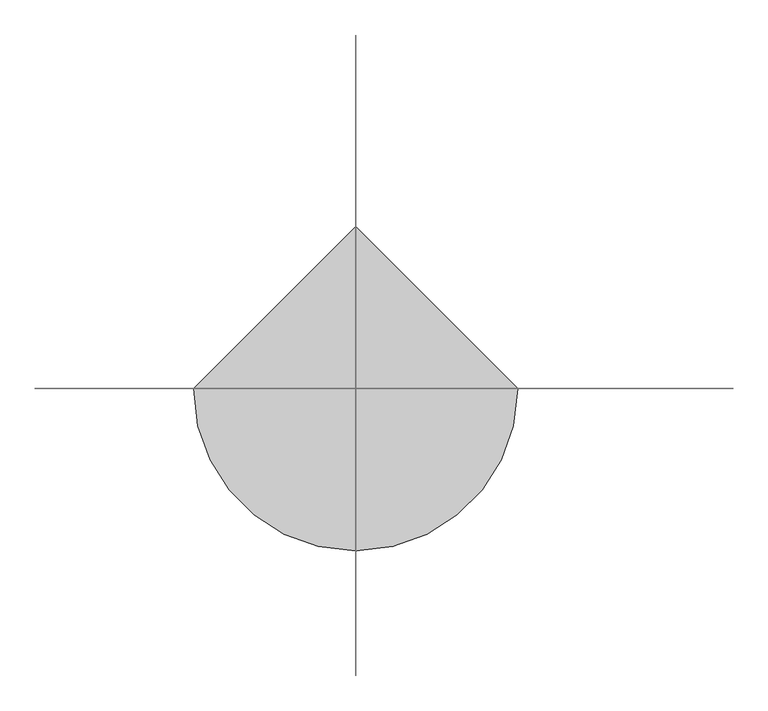
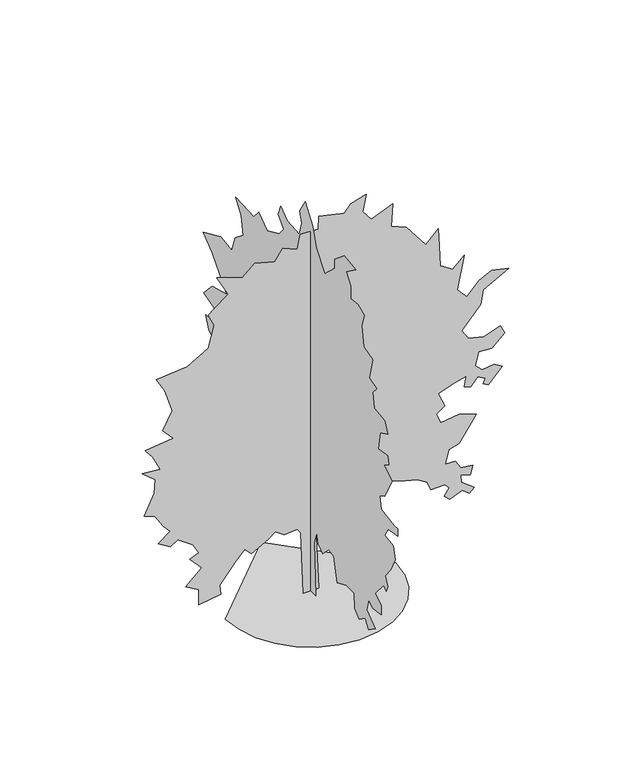
"""IFC4 building model written with IfcOpenShell, lengths in millimetres: geographic element geometry."""

from ifc_helpers import new_model, si_unit, origin, place, context, project, spatial, triangles, source, transform, mapped, element, save


def geographic_element_0b2da3b3(model_context):
    return source(origin(), model_context, "Body", "Tessellation", [
        triangles([(-3147.648278, 0.0, 0.0004414), (-3064.4399849, -721.2338837, 0.0004414), (-2827.4396255, -1383.5697636, 0.0004414), (-2455.6477844, -1968.0348152, 0.0004414), (-1968.0348152, -2455.6477844, 0.0004414), (-1383.5697636, -2827.4396255, 0.0004414), (-721.2317762, -3064.4399849, 0.0004414), (0.0001376, -3147.648278, 0.0004414), (721.2338837, -3064.4399849, 0.0004414), (1383.5697636, -2827.4396255, 0.0004414), (1968.0348152, -2455.6477844, 0.0004414), (2455.6477844, -1968.0348152, 0.0004414), (2827.4396255, -1383.5697636, 0.0004414), (3064.4399849, -721.2317762, 0.0004414), (3147.648278, 0.0002752, 0.0004414), (-0.0004128, 3147.648278, 0.0004414), (-265.0022839, 0.0, 0.0065752), (-369.6044383, -0.0001434, 2405.8560562), (-495.1274815, -0.0001534, 2573.2310143), (-976.3007275, -0.0001509, 2531.3768829), (-1311.0281158, -0.0001646, 2761.5230095), (-1562.0741295, -0.0001534, 2573.2310143), (-2189.6891636, -0.0001322, 2217.5849899), (-2440.7309624, -0.0001484, 2489.5436806), (-2796.3772774, -0.0001234, 2071.1349174), (-3361.2317528, -8.35e-05, 1401.6781059), (-3319.3982597, -6.11e-05, 1025.1090855), (-4135.2949699, -5.36e-05, 899.5860786), (-4135.2949699, -8.85e-05, 1485.3615154), (-4616.461821, -0.000106, 1778.2493065), (-4030.6905991, -0.0001384, 2322.1892155), (-4470.0242477, -0.0001671, 2803.3562119), (-4135.2949699, -0.0001746, 2928.8773293), (-4365.4201675, -0.0001983, 3326.3568466), (-4909.3578964, -0.000222, 3723.8570023), (-5181.3162964, -0.0002107, 3535.5652977), (-5641.5666916, -0.0002269, 3807.5446266), (-5181.3162964, -0.0002469, 4142.2739044), (-5453.2956253, -0.0002644, 4435.1493416), (-5767.1084473, -0.0002943, 4937.2538681), (-6143.6715088, -0.0003018, 5062.7746948), (-5788.0251938, -0.0003479, 5836.837912), (-5746.1713531, -0.0003791, 6359.8379654), (-6227.3588425, -0.0004028, 6757.3387024), (-5557.9002869, -0.000399, 6694.5675339), (-5829.8586868, -0.0004327, 7259.4220093), (-6122.7547623, -0.0004539, 7615.0683243), (-5076.7122162, -0.0004614, 7740.589151), (-5474.2123718, -0.0004876, 8179.9227997), (-5118.5666382, -0.0005262, 8828.4651901), (-5390.5250381, -0.0005786, 9707.1324875), (-5704.3378601, -0.000611, 10251.0498688), (-4553.7118721, -0.0006172, 10355.653949), (-3779.6486549, -0.0006447, 10815.9037628), (-3570.4402039, -0.0006933, 11631.821402), (-3779.6486549, -0.0007207, 12092.0723785), (-3570.4402039, -0.000732, 12280.3422821), (-3047.4398598, -0.0007544, 12656.9262726), (-3465.8361237, -0.0008018, 13451.9056549), (-3193.877433, -0.0007968, 13368.2189026), (-2524.4185867, -0.0007818, 13117.1772491), (-2064.1661568, -0.0008068, 13535.572641), (-1331.9489319, -0.0007943, 13326.3644806), (-1039.0612135, -0.0008205, 13765.6981293), (-495.1274815, -0.0008068, 13535.572641), (-390.5252907, -0.0008392, 14079.5103699), (278.9314663, -0.0008367, 14037.6780396), (299.8523187, -0.0008666, 14539.7613464), (1241.2759781, -0.0008542, 14330.553186), (1492.319957, -0.0008704, 14602.5319336), (2057.1766125, -0.0008816, 14790.8029999), (1931.6514256, -0.0008429, 14142.2821198), (2245.4600327, -0.0008193, 13744.7819641), (3040.4397057, -0.000838, 14058.5942047), (2977.6688278, -0.0007868, 13200.8430725), (3542.5235939, -0.0007731, 12970.7187469), (4253.8365715, -0.0007182, 12050.2179565), (4714.0869667, -0.0007457, 12510.4677704), (4755.9204597, -0.0007045, 11820.0924683), (4797.7536621, -0.0006571, 11025.1130859), (5258.0249863, -0.0006397, 10732.2379395), (5676.4209595, -0.0006634, 11129.7171661), (5425.379306, -0.0005886, 9874.4868073), (5781.0250397, -0.0005649, 9477.0069992), (6241.2754349, -0.0005936, 9958.1747223), (6701.5258301, -0.0006073, 10188.2990479), (7329.151474, -0.0005985, 10041.8614746), (6387.7130081, -0.0005686, 9539.7572388), (6283.1298569, -0.0005362, 8995.8195099), (5592.7336258, -0.0004888, 8200.8395462), (5822.8794617, -0.0004676, 7845.1938126), (6408.6506836, -0.0004589, 7698.755658), (7015.338652, -0.0004714, 7907.9643997), (7182.6929718, -0.0004514, 7573.2348312), (6701.5258301, -0.0004252, 7133.9011826), (6220.3586884, -0.0004277, 7175.7346756), (6094.8378616, -0.0003978, 6673.6507874), (6345.8800964, -0.0003828, 6422.6091339), (6785.2137451, -0.0003866, 6485.3593735), (7078.1098206, -0.0003753, 6297.0883072), (6576.0050034, -0.0003429, 5753.1499969), (6387.7130081, -0.0003491, 5857.7546585), (6450.4841766, -0.0003604, 6046.0257248), (6178.5257767, -0.0003703, 6213.4003922), (5927.4626129, -0.0003516, 5899.5881516), (5676.4209595, -0.0003566, 5983.2754852), (5760.1088745, -0.0003803, 6380.7547119), (5320.7746445, -0.0003741, 6276.1506317), (4714.0869667, -0.0003604, 6046.0257248), (4965.1289108, -0.000328, 5502.1083435), (4651.3160889, -0.0003142, 5271.9834366), (4818.6913376, -0.0002905, 4874.4829903), (5488.1498932, -0.0002968, 4979.0873611), (6115.7546082, -0.0002843, 4769.8786194), (5488.1498932, -0.0002294, 3849.377829), (5111.5664841, -0.000222, 3723.8570023), (4986.0456573, -0.0001908, 3200.8357292), (5341.691391, -0.0001908, 3200.8357292), (5550.9001328, -0.0001708, 2866.1064514), (5990.2337814, -0.0001671, 2803.3562119), (5906.5464478, -0.0001471, 2468.6269341), (5550.9001328, -0.0001534, 2573.2310143), (5571.8168793, -0.0001372, 2301.2518307), (6053.0043686, -0.0001147, 1924.6910946), (5864.7129547, -0.0001047, 1757.3284904), (5613.6707199, -0.0001172, 1966.5327267), (5153.4209061, -0.000106, 1778.2493065), (4944.2121643, -0.0001172, 1966.5327267), (5132.4832306, -0.0001334, 2238.5017365), (4965.1289108, -0.0001434, 2405.8560562), (4442.1076378, -0.0001434, 2405.8560562), (4316.5865204, -0.0001634, 2740.585334), (3940.0237495, -0.0001771, 2970.7105316), (3500.6901009, -0.0001833, 3075.3149025), (2768.4813057, -0.000197, 3305.4401001), (2559.2728546, -0.0001771, 2970.7105316), (2329.147657, -0.0001895, 3179.9189827), (2224.5434315, -0.000202, 3389.1277245), (1806.1284187, -0.000202, 3389.1277245), (1596.9241825, -0.0002095, 3514.6485512), (864.7048502, -0.0001983, 3326.3568466), (299.8523187, -0.0001771, 2970.7105316), (195.2488925, -0.0001446, 2426.7935863), (299.8523187, 0.0, 0.000395), (0.0, 303.1085698, 0.0), (0.0, 261.2689543, 2196.6474598), (0.0, 470.4732814, 3075.3149025), (0.0, 847.0423382, 3556.4820442), (0.0, 1621.1011951, 3828.4613731), (0.0, 2102.2724064, 3200.8357292), (0.0, 2269.6475098, 3556.4820442), (0.0, 2918.1689713, 3347.2733025), (0.0, 3378.4193665, 3410.0441803), (0.0, 3985.1279732, 2782.4188271), (0.0, 4508.1286079, 2133.8975109), (0.0, 5052.0666275, 2092.0432343), (0.0, 4738.2535149, 2656.8980003), (0.0, 5449.5667831, 2887.0231979), (0.0, 5031.149881, 3075.3149025), (0.0, 4298.9198662, 3410.0441803), (0.0, 4717.337059, 4037.6698242), (0.0, 5114.8372147, 4518.8366753), (0.0, 4947.4619659, 5083.6914413), (0.0, 5282.1915344, 5774.0667435), (0.0, 5679.6916901, 5585.7753296), (0.0, 6223.6090714, 5397.5042633), (0.0, 6621.109227, 5418.4210098), (0.0, 6160.8588318, 6046.0257248), (0.0, 6516.5051468, 6276.1506317), (0.0, 6704.7965607, 6736.4010269), (0.0, 6160.8588318, 6757.3177734), (0.0, 6077.1714981, 7280.3387558), (0.0, 6830.3179688, 7510.4642441), (0.0, 6286.3796585, 8096.235466), (0.0, 5365.8788681, 8347.2771194), (0.0, 6286.3796585, 9414.236412), (0.0, 6872.1508804, 9853.5706421), (0.0, 5742.4419296, 10355.653949), (0.0, 5052.0666275, 10251.0498688), (0.0, 4842.8578857, 10857.7581848), (0.0, 4298.9198662, 11297.0709045), (0.0, 4445.3783684, 11966.5300415), (0.0, 4801.0243927, 12468.6342773), (0.0, 3629.4819489, 12426.7798553), (0.0, 3336.5858734, 12782.4476807), (0.0, 2792.6478539, 12384.947525), (0.0, 2018.5932117, 12740.5932587), (0.0, 1725.705566, 13096.2389923), (0.0, 2060.4328091, 13472.8229828), (0.0, 1913.9889862, 13870.3022095), (0.0, 1495.5803684, 13556.4899689), (0.0, 742.4401474, 13493.7391479), (0.0, 554.1566909, 14037.6780396), (0.0, 700.5984426, 14435.1572662), (0.0, 344.9502746, 15000.0111603), (0.0, -136.2213545, 14330.553186), (0.0, -366.3460979, 13640.1767212), (0.0, -910.2799026, 12949.8014191), (0.0, -1558.8157528, 13556.4899689), (0.0, -1537.8969715, 13891.2195374), (0.0, -2165.5016865, 14414.2399384), (0.0, -2876.8148094, 14288.719693), (0.0, -2270.105912, 13849.3860443), (0.0, -2563.0019875, 13451.8858887), (0.0, -2563.0019875, 12970.7187469), (0.0, -3023.2523827, 13033.4893341), (0.0, -3441.6692848, 12866.113504), (0.0, -3274.2943268, 12343.114032), (0.0, -3399.8151535, 11610.8843079), (0.0, -3964.6696289, 11443.5294067), (0.0, -3755.4821068, 10606.6956024), (0.0, -4236.6489578, 10460.2580292), (0.0, -3985.6073044, 10188.2990479), (0.0, -4069.2739998, 9602.5284073), (0.0, -4738.7328461, 9518.8404922), (0.0, -4927.0248413, 9100.4235901), (0.0, -4445.8576996, 8870.2986832), (0.0, -4341.2533287, 8179.9227997), (0.0, -4927.0248413, 8263.6107147), (0.0, -5010.712175, 7970.7146393), (0.0, -4675.9828972, 7761.5058975), (0.0, -5219.8999878, 7447.7140045), (0.0, -4738.7328461, 6569.0467072), (0.0, -4424.9200241, 6401.6714584), (0.0, -4508.6076485, 5920.5043167), (0.0, -5366.35849, 5794.98349), (0.0, -5575.5666504, 5815.9002365), (0.0, -5575.5666504, 5523.02509), (0.0, -4968.857753, 5418.4210098), (0.0, -4759.6495926, 5062.7746948), (0.0, -5303.5873215, 4979.0873611), (0.0, -5408.1914017, 4497.9202194), (0.0, -5136.2330017, 3933.0654533), (0.0, -4780.5869774, 3493.7318047), (0.0, -4947.9415878, 3159.0025269), (0.0, -4843.3369263, 2928.8773293), (0.0, -4696.899353, 3075.3149025), (0.0, -4132.0448776, 2405.8560562), (0.0, -4529.524395, 2154.8141121), (0.0, -4529.524395, 1820.0846889), (0.0, -3964.6696289, 1715.4824982), (0.0, -3713.6279755, 1903.7680984), (0.0, -3588.1068581, 1443.5156685), (0.0, -4132.0448776, 1025.1049433), (0.0, -3713.6279755, 732.2193323), (0.0, -3483.5027779, 1046.025832), (0.0, -3106.940007, 774.0589296), (0.0, -2834.9603874, 1046.025832), (0.0, -2793.1271851, 1589.9594913), (0.0, -2291.0434422, 1610.8804527), (0.0, -1705.2595757, 1359.8344391), (0.0, -1496.0553394, 2259.4183376), (0.0, -1161.3259163, 2301.2518307), (0.0, -774.2964151, 1924.6868797), (0.0, -491.8712122, 2133.8975109), (0.0, -387.2690578, 2510.4601364), (0.0, -240.8231093, 2050.2098866), (0.0, -324.5065006, 0.0022072)], [[15, 16, 1], [14, 15, 1], [14, 1, 2], [13, 14, 2], [13, 2, 3], [13, 3, 4], [12, 13, 4], [11, 12, 4], [11, 4, 5], [11, 5, 6], [11, 6, 7], [11, 7, 8], [11, 8, 9], [11, 9, 10], [43, 44, 45], [81, 82, 83], [86, 87, 88], [85, 86, 88], [58, 59, 60], [77, 78, 79], [46, 47, 48], [58, 60, 61], [70, 71, 72], [84, 85, 88], [73, 74, 75], [51, 52, 53], [36, 37, 38], [35, 36, 38], [31, 32, 33], [84, 88, 89], [113, 114, 115], [29, 30, 31], [123, 124, 125], [123, 125, 126], [135, 136, 137], [67, 68, 69], [99, 100, 101], [98, 99, 101], [112, 113, 115], [112, 115, 116], [143, 144, 17], [143, 17, 18], [27, 28, 29], [26, 27, 29], [40, 41, 42], [119, 120, 121], [119, 121, 122], [69, 70, 72], [26, 29, 31], [25, 26, 31], [84, 89, 90], [105, 106, 107], [104, 105, 107], [45, 46, 48], [127, 128, 129], [126, 127, 129], [123, 126, 129], [122, 123, 129], [122, 129, 130], [65, 66, 67], [92, 93, 94], [92, 94, 95], [92, 95, 96], [91, 92, 96], [101, 102, 103], [98, 101, 103], [98, 103, 104], [97, 98, 104], [97, 104, 107], [135, 137, 138], [63, 64, 65], [109, 110, 111], [142, 143, 18], [142, 18, 19], [22, 23, 24], [119, 122, 130], [118, 119, 130], [117, 118, 130], [117, 130, 131], [117, 131, 132], [55, 56, 57], [48, 49, 50], [50, 51, 53], [25, 31, 33], [24, 25, 33], [117, 132, 133], [116, 117, 133], [112, 116, 133], [112, 133, 134], [112, 134, 135], [111, 112, 135], [77, 79, 80], [61, 62, 63], [111, 135, 138], [55, 57, 58], [83, 84, 90], [109, 111, 138], [109, 138, 139], [109, 139, 140], [80, 81, 83], [24, 33, 34], [91, 96, 97], [91, 97, 107], [91, 107, 108], [91, 108, 109], [90, 91, 109], [19, 20, 21], [142, 19, 21], [50, 53, 54], [69, 72, 73], [67, 69, 73], [65, 67, 73], [65, 73, 75], [48, 50, 54], [21, 22, 24], [21, 24, 34], [58, 61, 63], [55, 58, 63], [54, 55, 63], [54, 63, 65], [54, 65, 75], [48, 54, 75], [48, 75, 76], [48, 76, 77], [48, 77, 80], [48, 80, 83], [48, 83, 90], [48, 90, 109], [48, 109, 140], [48, 140, 141], [48, 141, 142], [48, 142, 21], [48, 21, 34], [45, 48, 34], [45, 34, 35], [45, 35, 38], [45, 38, 39], [45, 39, 40], [45, 40, 42], [45, 42, 43], [157, 158, 159], [201, 202, 203], [182, 183, 184], [155, 156, 157], [166, 167, 168], [200, 201, 203], [176, 177, 178], [154, 155, 157], [149, 150, 151], [172, 173, 174], [211, 212, 213], [165, 166, 168], [194, 195, 196], [193, 194, 196], [235, 236, 237], [169, 170, 171], [243, 244, 245], [243, 245, 246], [189, 190, 191], [188, 189, 191], [157, 159, 160], [154, 157, 160], [153, 154, 160], [250, 251, 252], [234, 235, 237], [199, 200, 203], [226, 227, 228], [226, 228, 229], [225, 226, 229], [193, 196, 197], [192, 193, 197], [168, 169, 171], [258, 145, 146], [257, 258, 146], [172, 174, 175], [221, 222, 223], [215, 216, 217], [214, 215, 217], [256, 257, 146], [256, 146, 147], [209, 210, 211], [184, 185, 186], [206, 207, 208], [218, 219, 220], [218, 220, 221], [246, 247, 248], [246, 248, 249], [243, 246, 249], [242, 243, 249], [253, 254, 255], [253, 255, 256], [239, 240, 241], [238, 239, 241], [238, 241, 242], [205, 206, 208], [199, 203, 204], [199, 204, 205], [198, 199, 205], [225, 229, 230], [181, 182, 184], [175, 176, 178], [175, 178, 179], [164, 165, 168], [164, 168, 171], [230, 231, 232], [230, 232, 233], [188, 191, 192], [221, 223, 224], [181, 184, 186], [192, 197, 198], [230, 233, 234], [153, 160, 161], [161, 162, 163], [153, 161, 163], [164, 171, 172], [164, 172, 175], [218, 221, 224], [198, 205, 208], [198, 208, 209], [198, 209, 211], [188, 192, 198], [187, 188, 198], [187, 198, 211], [186, 187, 211], [181, 186, 211], [181, 211, 213], [181, 213, 214], [181, 214, 217], [181, 217, 218], [181, 218, 224], [180, 181, 224], [179, 180, 224], [175, 179, 224], [164, 175, 224], [163, 164, 224], [153, 163, 224], [152, 153, 224], [151, 152, 224], [149, 151, 224], [148, 149, 224], [148, 224, 225], [147, 148, 225], [256, 147, 225], [253, 256, 225], [252, 253, 225], [252, 225, 230], [252, 230, 234], [252, 234, 237], [252, 237, 238], [250, 252, 238], [249, 250, 238], [242, 249, 238]], closed=False),
    ])


if __name__ == "__main__":
    model = new_model("IFC4")
    model_context = context("Model", 3, world=origin())
    ifc_project = project(units=[si_unit("LENGTHUNIT", "METRE", prefix="MILLI")], contexts=[model_context])
    site = spatial("IfcSite", under=ifc_project)
    building = spatial("IfcBuilding", under=site)
    placement = place(None, origin())
    geographic_element_shape = geographic_element_0b2da3b3(model_context)
    element("IfcGeographicElement", 1, at=placement, inside=building, context=model_context, shape_type="MappedRepresentation", body=[
        mapped(geographic_element_shape, transform((0.0, 0.0, 0.0), x_axis=(1.0, 0.0, 0.0), y_axis=(0.0, 1.0, 0.0), z_axis=(0.0, 0.0, 1.0))),
    ])
    save(model, "model.ifc")
